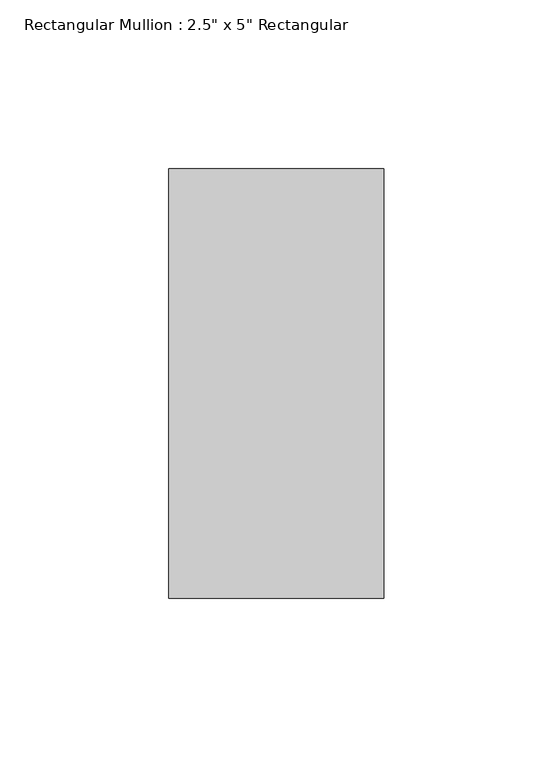
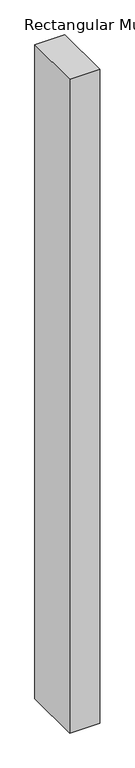
"""IFC4 building model written with IfcOpenShell, lengths in millimetres: member geometry."""

from ifc_helpers import new_model, si_unit, frame, origin, place, context, project, spatial, polyline, outline, extrude, source, transform, mapped, element, save


def member_4a1dde21(model_context):
    return source(origin(), model_context, "Body", "SweptSolid", [
        extrude(outline(polyline([(0.0, 63.5), (0.0, -63.5), (-63.5, -63.5), (-63.5, 63.5), (0.0, 63.5)])), frame((0.0, 0.0, -1460.5), z_axis=(0.0, 0.0, 1.0), x_axis=(1.0, 0.0, 0.0)), (0.0, 0.0, 1.0), 1460.5),
    ])


if __name__ == "__main__":
    model = new_model("IFC4")
    model_context = context("Model", 3, world=origin())
    ifc_project = project(units=[si_unit("LENGTHUNIT", "METRE", prefix="MILLI")], contexts=[model_context])
    site = spatial("IfcSite", under=ifc_project)
    building = spatial("IfcBuilding", under=site)
    placement = place(None, origin())
    member_shape = member_4a1dde21(model_context)
    element("IfcMember", 1, ObjectType="Rectangular Mullion : 2.5\" x 5\" Rectangular", at=placement, inside=building, context=model_context, shape_type="MappedRepresentation", body=[
        mapped(member_shape, transform((0.0, 0.0, 0.0), x_axis=(1.0, 0.0, 0.0), y_axis=(0.0, 1.0, 0.0), z_axis=(0.0, 0.0, 1.0))),
    ])
    save(model, "model.ifc")
